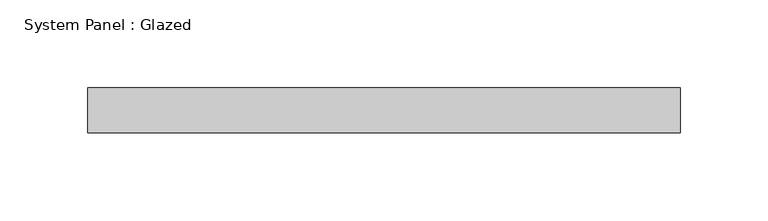
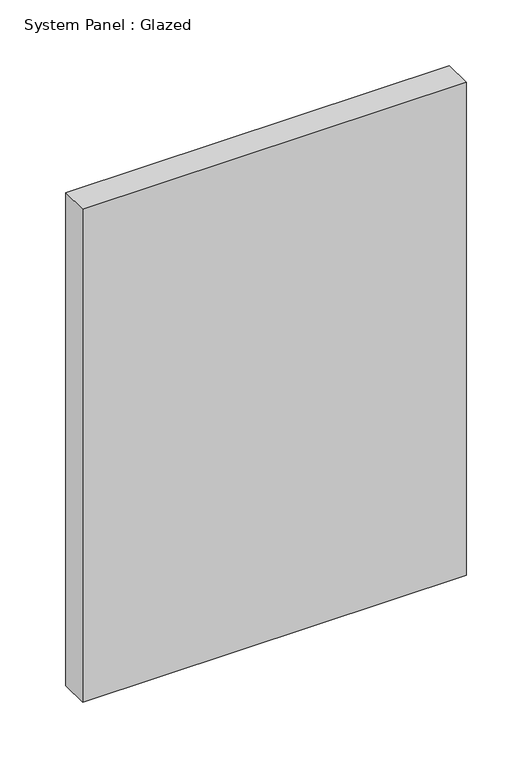
"""IFC4 building model written with IfcOpenShell, lengths in millimetres: plate geometry, System Panel : Glazed."""

import ifcopenshell
import ifcopenshell.guid

model = None  # the IFC model being written
_history = None  # IfcOwnerHistory: only IFC2X3 demands one
_inside = {}  # id of a spatial element -> (the spatial element, [elements in it])
_under = {}  # id of a project, library or spatial element -> (it, [spatial elements below it])
_declared = {}  # id of a project -> (the project, [libraries it declares])
_typed = {}  # id of a type object -> (the type object, [elements of that type])
_made_of = {}  # id of a material, layer set ... -> (it, [elements and type objects made of it])


def new_model(schema):
    """Start an empty IFC model of exactly this schema.

    Asked for "IFC4X3", IfcOpenShell would pick the latest addendum, in which some entities
    have other attributes; the version numbers below select the first issue.
    IFC2X3 requires an IfcOwnerHistory on every rooted entity: one is made here for all.
    """
    global model, _history
    if schema == "IFC4X3":
        model = ifcopenshell.file(schema_version=(4, 3, 0, 0))
    else:
        model = ifcopenshell.file(schema=schema)
    _inside.clear()
    _under.clear()
    _declared.clear()
    _typed.clear()
    _made_of.clear()
    _history = None
    if model.schema == "IFC2X3":
        org = make("IfcOrganization", Name="unknown")
        user = make(
            "IfcPersonAndOrganization",
            ThePerson=make("IfcPerson", FamilyName="unknown"),
            TheOrganization=org,
        )
        app = make(
            "IfcApplication",
            ApplicationDeveloper=org,
            Version="unknown",
            ApplicationFullName="unknown",
            ApplicationIdentifier="unknown",
        )
        _history = make(
            "IfcOwnerHistory",
            OwningUser=user,
            OwningApplication=app,
            ChangeAction="ADDED",
            CreationDate=0,
        )
    return model


def make(cls, **values):
    """One entity of the class cls with the attributes given. An attribute that is None is left unset."""
    return model.create_entity(
        cls, **{name: value for name, value in values.items() if value is not None}
    )


def rooted(cls, **values):
    """An entity with a GlobalId (a new one), such as an element, a storey or a relation."""
    return make(cls, GlobalId=ifcopenshell.guid.new(), OwnerHistory=_history, **values)


def si_unit(unit_type, name, prefix=None):
    """IfcSIUnit, for example si_unit("LENGTHUNIT", "METRE", prefix="MILLI")."""
    return make("IfcSIUnit", UnitType=unit_type, Prefix=prefix, Name=name)


def assignment(units):
    """IfcUnitAssignment: the units of a project."""
    return None if units is None else make("IfcUnitAssignment", Units=units)


def point(xyz):
    """IfcCartesianPoint."""
    return None if xyz is None else make("IfcCartesianPoint", Coordinates=xyz)


def direction(xyz):
    """IfcDirection."""
    return None if xyz is None else make("IfcDirection", DirectionRatios=xyz)


def frame(location, z_axis=None, x_axis=None):
    """IfcAxis2Placement3D, a coordinate frame: its origin and axes. An axis left out is left unset."""
    return make(
        "IfcAxis2Placement3D",
        Location=point(location),
        Axis=direction(z_axis),
        RefDirection=direction(x_axis),
    )


def origin():
    """The frame at (0, 0, 0) with its axes left unset."""
    return frame((0.0, 0.0, 0.0))


def origin_with_axes():
    """The frame at (0, 0, 0) with the z axis (0, 0, 1) and the x axis (1, 0, 0) written out."""
    return frame((0.0, 0.0, 0.0), z_axis=(0.0, 0.0, 1.0), x_axis=(1.0, 0.0, 0.0))


def place(relative_to, where):
    """IfcLocalPlacement: puts the frame where relative to a parent placement (None: the world)."""
    return make(
        "IfcLocalPlacement", PlacementRelTo=relative_to, RelativePlacement=where
    )


def context(
    kind, dimensions, precision=None, world=None, true_north=None, identifier=None
):
    """IfcGeometricRepresentationContext, for example the 3D "Model" context."""
    return make(
        "IfcGeometricRepresentationContext",
        ContextIdentifier=identifier,
        ContextType=kind,
        CoordinateSpaceDimension=dimensions,
        Precision=precision,
        WorldCoordinateSystem=world,
        TrueNorth=true_north,
    )


def project(units=None, contexts=None):
    """IfcProject with its units and contexts."""
    return rooted(
        "IfcProject",
        Name="project",
        RepresentationContexts=contexts,
        UnitsInContext=assignment(units),
    )


def spatial(cls, under=None, at=None, **own):
    """A site, building, storey or space (cls), placed at a placement, below another one or the project."""
    s = rooted(cls, ObjectPlacement=at, **own)
    if under is not None:
        _under.setdefault(under.id(), (under, []))[1].append(s)
    return s


def polyline(points):
    """IfcPolyline through the points."""
    return make("IfcPolyline", Points=[point(p) for p in points])


def outline(outer, holes=None, kind="AREA"):
    """IfcArbitraryClosedProfileDef: a profile drawn as a closed curve; with holes, ...WithVoids."""
    if holes is None:
        return make("IfcArbitraryClosedProfileDef", ProfileType=kind, OuterCurve=outer)
    return make(
        "IfcArbitraryProfileDefWithVoids",
        ProfileType=kind,
        OuterCurve=outer,
        InnerCurves=holes,
    )


def extrude(swept, where, along, depth):
    """IfcExtrudedAreaSolid: the profile swept, set in the frame where, extruded along a direction by depth."""
    return make(
        "IfcExtrudedAreaSolid",
        SweptArea=swept,
        Position=where,
        ExtrudedDirection=direction(along),
        Depth=depth,
    )


def shape(context_of_items, identifier, shape_type, items):
    """IfcShapeRepresentation: the items that make up one representation, for example the "Body"."""
    return make(
        "IfcShapeRepresentation",
        ContextOfItems=context_of_items,
        RepresentationIdentifier=identifier,
        RepresentationType=shape_type,
        Items=items,
    )


def source(mapping_origin, context_of_items, identifier, shape_type, items):
    """IfcRepresentationMap: a shape defined once, which mapped items show again and again."""
    return make(
        "IfcRepresentationMap",
        MappingOrigin=mapping_origin,
        MappedRepresentation=shape(context_of_items, identifier, shape_type, items),
    )


def transform(
    local_origin,
    x_axis=None,
    y_axis=None,
    z_axis=None,
    scale=None,
    scale2=None,
    scale3=None,
    uniform=True,
):
    """IfcCartesianTransformationOperator3D, or its non-uniform kind. x_axis, y_axis, z_axis: its Axis1, 2, 3."""
    if uniform:
        return make(
            "IfcCartesianTransformationOperator3D",
            Axis1=direction(x_axis),
            Axis2=direction(y_axis),
            LocalOrigin=point(local_origin),
            Scale=scale,
            Axis3=direction(z_axis),
        )
    return make(
        "IfcCartesianTransformationOperator3DnonUniform",
        Axis1=direction(x_axis),
        Axis2=direction(y_axis),
        LocalOrigin=point(local_origin),
        Scale=scale,
        Axis3=direction(z_axis),
        Scale2=scale2,
        Scale3=scale3,
    )


def mapped(mapping_source, mapping_target):
    """IfcMappedItem: shows the shape of a source again, moved by a transform."""
    return make(
        "IfcMappedItem", MappingSource=mapping_source, MappingTarget=mapping_target
    )


def made_of(thing, what):
    """Note that an element or type object is made of a material, layer set ...; save() writes the relation."""
    if what is not None:
        _made_of.setdefault(what.id(), (what, []))[1].append(thing)
    return thing


def element(
    cls,
    number,
    at=None,
    inside=None,
    cuts=None,
    type_object=None,
    material=None,
    context=None,
    identifier="Body",
    shape_type=None,
    held_by="IfcProductDefinitionShape",
    body=None,
    shapes=None,
    **own,
):
    """One element of the class cls, such as IfcWall. Its Tag is "e" and its number.

    at: its placement. inside: the storey or other place that contains it. cuts: it is an
    opening in that element (IfcRelVoidsElement). A single representation is given by context,
    identifier, shape_type and body (its items); several are given by shapes. held_by: the class
    of the entity that holds the representations. save() writes the other relations.
    """
    e = rooted(cls, Tag="e%d" % number, ObjectPlacement=at, **own)
    if body is not None:
        shapes = [shape(context, identifier, shape_type, body)]
    if shapes is not None:
        e.Representation = make(held_by, Representations=shapes)
    if inside is not None:
        _inside.setdefault(inside.id(), (inside, []))[1].append(e)
    if cuts is not None:
        rooted(
            "IfcRelVoidsElement", RelatingBuildingElement=cuts, RelatedOpeningElement=e
        )
    if type_object is not None:
        _typed.setdefault(type_object.id(), (type_object, []))[1].append(e)
    return made_of(e, material)


def aggregate(whole, parts):
    """IfcRelAggregates: a whole, such as a stair, and the parts it consists of."""
    return rooted("IfcRelAggregates", RelatingObject=whole, RelatedObjects=parts)


def save(model, path):
    """Write the relations noted so far, then the file.

    IfcRelAggregates (storeys below a building ...), IfcRelContainedInSpatialStructure (elements
    in a storey), IfcRelDefinesByType, IfcRelAssociatesMaterial and IfcRelDeclares: one each for
    every whole, place, type object, material and project.
    """
    for whole, parts in _under.values():
        aggregate(whole, parts)
    for where, things in _inside.values():
        rooted(
            "IfcRelContainedInSpatialStructure",
            RelatedElements=things,
            RelatingStructure=where,
        )
    for kind, things in _typed.values():
        rooted("IfcRelDefinesByType", RelatedObjects=things, RelatingType=kind)
    for what, things in _made_of.values():
        rooted("IfcRelAssociatesMaterial", RelatedObjects=things, RelatingMaterial=what)
    for by, libraries in _declared.values():
        rooted("IfcRelDeclares", RelatingContext=by, RelatedDefinitions=libraries)
    model.write(path)


def system_panel_glazed_91fc64d0(model_context):
    return source(origin(), model_context, "Body", "SweptSolid", [
        extrude(outline(polyline([(168.275, -12.7), (-168.275, -12.7), (-168.275, 12.7), (168.275, 12.7), (168.275, -12.7)])), origin_with_axes(), (0.0, 0.0, 1.0), 457.2),
    ])


if __name__ == "__main__":
    model = new_model("IFC4")
    model_context = context("Model", 3, world=origin())
    ifc_project = project(units=[si_unit("LENGTHUNIT", "METRE", prefix="MILLI")], contexts=[model_context])
    site = spatial("IfcSite", under=ifc_project)
    building = spatial("IfcBuilding", under=site)
    placement = place(None, origin())
    system_panel_glazed_shape = system_panel_glazed_91fc64d0(model_context)
    element("IfcPlate", 1, ObjectType="System Panel : Glazed", at=placement, inside=building, context=model_context, shape_type="MappedRepresentation", body=[
        mapped(system_panel_glazed_shape, transform((0.0, 0.0, 0.0), x_axis=(1.0, 0.0, 0.0), y_axis=(0.0, 1.0, 0.0), z_axis=(0.0, 0.0, 1.0))),
    ])
    save(model, "model.ifc")
